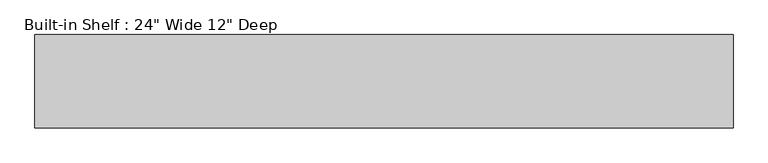
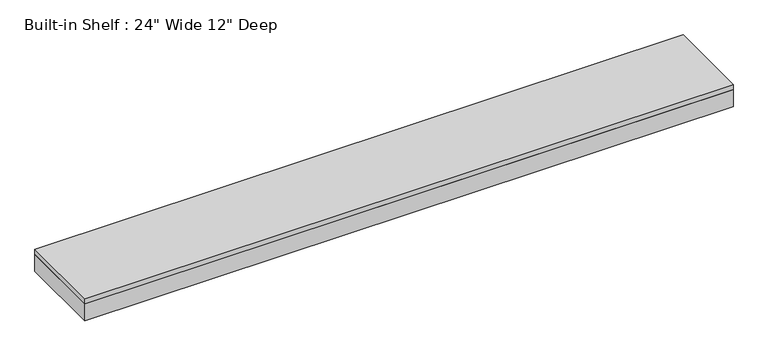
"""IFC4 building model written with IfcOpenShell, lengths in millimetres: furniture geometry."""

from ifc_helpers import new_model, si_unit, frame, origin, place, context, project, spatial, polyline, outline, extrude, source, transform, mapped, element, save


def furniture_e12cd84b(model_context):
    return source(origin(), model_context, "Body", "SweptSolid", [
        extrude(outline(polyline([(1141.8366815, 401.6375), (1141.8366815, 96.8375), (-1141.8366815, 96.8375), (-1141.8366815, 401.6375), (1141.8366815, 401.6375)])), frame((0.0, 0.0, 2114.55), z_axis=(0.0, 0.0, 1.0), x_axis=(1.0, 0.0, 0.0)), (0.0, 0.0, 1.0), 19.05),
        extrude(outline(polyline([(1141.8366815, 96.8375), (-1141.8366815, 96.8375), (-1141.8366815, 401.6375), (-1122.7866815, 401.6375), (-1122.7866815, 115.8875), (1122.7866815, 115.8875), (1122.7866815, 401.6375), (1141.8366815, 401.6375), (1141.8366815, 96.8375)])), frame((0.0, 0.0, 2051.05), z_axis=(0.0, 0.0, 1.0), x_axis=(1.0, 0.0, 0.0)), (0.0, 0.0, 1.0), 63.5),
    ])


if __name__ == "__main__":
    model = new_model("IFC4")
    model_context = context("Model", 3, world=origin())
    ifc_project = project(units=[si_unit("LENGTHUNIT", "METRE", prefix="MILLI")], contexts=[model_context])
    site = spatial("IfcSite", under=ifc_project)
    building = spatial("IfcBuilding", under=site)
    placement = place(None, origin())
    furniture_shape = furniture_e12cd84b(model_context)
    element("IfcFurniture", 1, ObjectType="Built-in Shelf : 24\" Wide 12\" Deep", at=placement, inside=building, context=model_context, shape_type="MappedRepresentation", body=[
        mapped(furniture_shape, transform((0.0, 0.0, 0.0), x_axis=(1.0, 0.0, 0.0), y_axis=(0.0, 1.0, 0.0), z_axis=(0.0, 0.0, 1.0))),
    ])
    save(model, "model.ifc")
